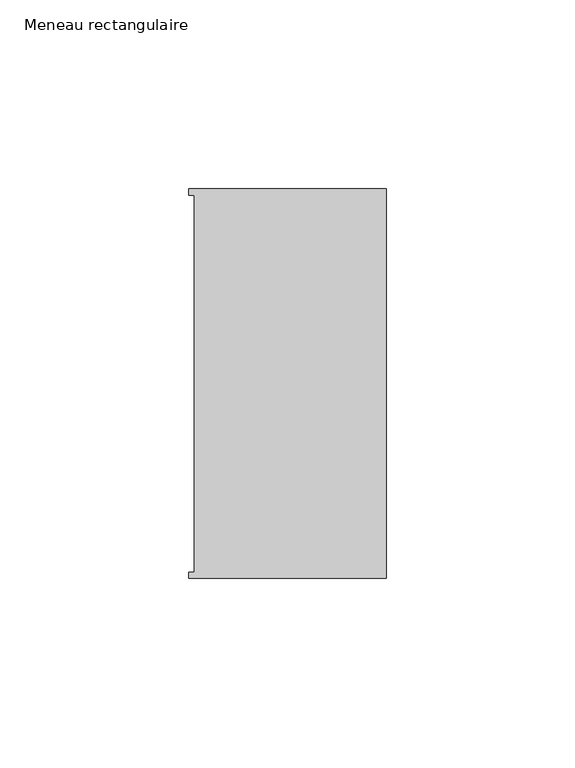
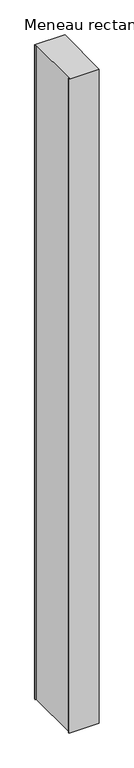
"""IFC4 building model written with IfcOpenShell, lengths in millimetres: member geometry, Meneau rectangulaire."""

import ifcopenshell
import ifcopenshell.guid

model = None  # the IFC model being written
_history = None  # IfcOwnerHistory: only IFC2X3 demands one
_inside = {}  # id of a spatial element -> (the spatial element, [elements in it])
_under = {}  # id of a project, library or spatial element -> (it, [spatial elements below it])
_declared = {}  # id of a project -> (the project, [libraries it declares])
_typed = {}  # id of a type object -> (the type object, [elements of that type])
_made_of = {}  # id of a material, layer set ... -> (it, [elements and type objects made of it])


def new_model(schema):
    """Start an empty IFC model of exactly this schema.

    Asked for "IFC4X3", IfcOpenShell would pick the latest addendum, in which some entities
    have other attributes; the version numbers below select the first issue.
    IFC2X3 requires an IfcOwnerHistory on every rooted entity: one is made here for all.
    """
    global model, _history
    if schema == "IFC4X3":
        model = ifcopenshell.file(schema_version=(4, 3, 0, 0))
    else:
        model = ifcopenshell.file(schema=schema)
    _inside.clear()
    _under.clear()
    _declared.clear()
    _typed.clear()
    _made_of.clear()
    _history = None
    if model.schema == "IFC2X3":
        org = make("IfcOrganization", Name="unknown")
        user = make(
            "IfcPersonAndOrganization",
            ThePerson=make("IfcPerson", FamilyName="unknown"),
            TheOrganization=org,
        )
        app = make(
            "IfcApplication",
            ApplicationDeveloper=org,
            Version="unknown",
            ApplicationFullName="unknown",
            ApplicationIdentifier="unknown",
        )
        _history = make(
            "IfcOwnerHistory",
            OwningUser=user,
            OwningApplication=app,
            ChangeAction="ADDED",
            CreationDate=0,
        )
    return model


def make(cls, **values):
    """One entity of the class cls with the attributes given. An attribute that is None is left unset."""
    return model.create_entity(
        cls, **{name: value for name, value in values.items() if value is not None}
    )


def rooted(cls, **values):
    """An entity with a GlobalId (a new one), such as an element, a storey or a relation."""
    return make(cls, GlobalId=ifcopenshell.guid.new(), OwnerHistory=_history, **values)


def si_unit(unit_type, name, prefix=None):
    """IfcSIUnit, for example si_unit("LENGTHUNIT", "METRE", prefix="MILLI")."""
    return make("IfcSIUnit", UnitType=unit_type, Prefix=prefix, Name=name)


def assignment(units):
    """IfcUnitAssignment: the units of a project."""
    return None if units is None else make("IfcUnitAssignment", Units=units)


def point(xyz):
    """IfcCartesianPoint."""
    return None if xyz is None else make("IfcCartesianPoint", Coordinates=xyz)


def direction(xyz):
    """IfcDirection."""
    return None if xyz is None else make("IfcDirection", DirectionRatios=xyz)


def frame(location, z_axis=None, x_axis=None):
    """IfcAxis2Placement3D, a coordinate frame: its origin and axes. An axis left out is left unset."""
    return make(
        "IfcAxis2Placement3D",
        Location=point(location),
        Axis=direction(z_axis),
        RefDirection=direction(x_axis),
    )


def origin():
    """The frame at (0, 0, 0) with its axes left unset."""
    return frame((0.0, 0.0, 0.0))


def place(relative_to, where):
    """IfcLocalPlacement: puts the frame where relative to a parent placement (None: the world)."""
    return make(
        "IfcLocalPlacement", PlacementRelTo=relative_to, RelativePlacement=where
    )


def context(
    kind, dimensions, precision=None, world=None, true_north=None, identifier=None
):
    """IfcGeometricRepresentationContext, for example the 3D "Model" context."""
    return make(
        "IfcGeometricRepresentationContext",
        ContextIdentifier=identifier,
        ContextType=kind,
        CoordinateSpaceDimension=dimensions,
        Precision=precision,
        WorldCoordinateSystem=world,
        TrueNorth=true_north,
    )


def project(units=None, contexts=None):
    """IfcProject with its units and contexts."""
    return rooted(
        "IfcProject",
        Name="project",
        RepresentationContexts=contexts,
        UnitsInContext=assignment(units),
    )


def spatial(cls, under=None, at=None, **own):
    """A site, building, storey or space (cls), placed at a placement, below another one or the project."""
    s = rooted(cls, ObjectPlacement=at, **own)
    if under is not None:
        _under.setdefault(under.id(), (under, []))[1].append(s)
    return s


def polyline(points):
    """IfcPolyline through the points."""
    return make("IfcPolyline", Points=[point(p) for p in points])


def outline(outer, holes=None, kind="AREA"):
    """IfcArbitraryClosedProfileDef: a profile drawn as a closed curve; with holes, ...WithVoids."""
    if holes is None:
        return make("IfcArbitraryClosedProfileDef", ProfileType=kind, OuterCurve=outer)
    return make(
        "IfcArbitraryProfileDefWithVoids",
        ProfileType=kind,
        OuterCurve=outer,
        InnerCurves=holes,
    )


def extrude(swept, where, along, depth):
    """IfcExtrudedAreaSolid: the profile swept, set in the frame where, extruded along a direction by depth."""
    return make(
        "IfcExtrudedAreaSolid",
        SweptArea=swept,
        Position=where,
        ExtrudedDirection=direction(along),
        Depth=depth,
    )


def shape(context_of_items, identifier, shape_type, items):
    """IfcShapeRepresentation: the items that make up one representation, for example the "Body"."""
    return make(
        "IfcShapeRepresentation",
        ContextOfItems=context_of_items,
        RepresentationIdentifier=identifier,
        RepresentationType=shape_type,
        Items=items,
    )


def source(mapping_origin, context_of_items, identifier, shape_type, items):
    """IfcRepresentationMap: a shape defined once, which mapped items show again and again."""
    return make(
        "IfcRepresentationMap",
        MappingOrigin=mapping_origin,
        MappedRepresentation=shape(context_of_items, identifier, shape_type, items),
    )


def transform(
    local_origin,
    x_axis=None,
    y_axis=None,
    z_axis=None,
    scale=None,
    scale2=None,
    scale3=None,
    uniform=True,
):
    """IfcCartesianTransformationOperator3D, or its non-uniform kind. x_axis, y_axis, z_axis: its Axis1, 2, 3."""
    if uniform:
        return make(
            "IfcCartesianTransformationOperator3D",
            Axis1=direction(x_axis),
            Axis2=direction(y_axis),
            LocalOrigin=point(local_origin),
            Scale=scale,
            Axis3=direction(z_axis),
        )
    return make(
        "IfcCartesianTransformationOperator3DnonUniform",
        Axis1=direction(x_axis),
        Axis2=direction(y_axis),
        LocalOrigin=point(local_origin),
        Scale=scale,
        Axis3=direction(z_axis),
        Scale2=scale2,
        Scale3=scale3,
    )


def mapped(mapping_source, mapping_target):
    """IfcMappedItem: shows the shape of a source again, moved by a transform."""
    return make(
        "IfcMappedItem", MappingSource=mapping_source, MappingTarget=mapping_target
    )


def made_of(thing, what):
    """Note that an element or type object is made of a material, layer set ...; save() writes the relation."""
    if what is not None:
        _made_of.setdefault(what.id(), (what, []))[1].append(thing)
    return thing


def element(
    cls,
    number,
    at=None,
    inside=None,
    cuts=None,
    type_object=None,
    material=None,
    context=None,
    identifier="Body",
    shape_type=None,
    held_by="IfcProductDefinitionShape",
    body=None,
    shapes=None,
    **own,
):
    """One element of the class cls, such as IfcWall. Its Tag is "e" and its number.

    at: its placement. inside: the storey or other place that contains it. cuts: it is an
    opening in that element (IfcRelVoidsElement). A single representation is given by context,
    identifier, shape_type and body (its items); several are given by shapes. held_by: the class
    of the entity that holds the representations. save() writes the other relations.
    """
    e = rooted(cls, Tag="e%d" % number, ObjectPlacement=at, **own)
    if body is not None:
        shapes = [shape(context, identifier, shape_type, body)]
    if shapes is not None:
        e.Representation = make(held_by, Representations=shapes)
    if inside is not None:
        _inside.setdefault(inside.id(), (inside, []))[1].append(e)
    if cuts is not None:
        rooted(
            "IfcRelVoidsElement", RelatingBuildingElement=cuts, RelatedOpeningElement=e
        )
    if type_object is not None:
        _typed.setdefault(type_object.id(), (type_object, []))[1].append(e)
    return made_of(e, material)


def aggregate(whole, parts):
    """IfcRelAggregates: a whole, such as a stair, and the parts it consists of."""
    return rooted("IfcRelAggregates", RelatingObject=whole, RelatedObjects=parts)


def save(model, path):
    """Write the relations noted so far, then the file.

    IfcRelAggregates (storeys below a building ...), IfcRelContainedInSpatialStructure (elements
    in a storey), IfcRelDefinesByType, IfcRelAssociatesMaterial and IfcRelDeclares: one each for
    every whole, place, type object, material and project.
    """
    for whole, parts in _under.values():
        aggregate(whole, parts)
    for where, things in _inside.values():
        rooted(
            "IfcRelContainedInSpatialStructure",
            RelatedElements=things,
            RelatingStructure=where,
        )
    for kind, things in _typed.values():
        rooted("IfcRelDefinesByType", RelatedObjects=things, RelatingType=kind)
    for what, things in _made_of.values():
        rooted("IfcRelAssociatesMaterial", RelatedObjects=things, RelatingMaterial=what)
    for by, libraries in _declared.values():
        rooted("IfcRelDeclares", RelatingContext=by, RelatedDefinitions=libraries)
    model.write(path)


def meneau_rectangulaire_711159f1(model_context):
    return source(origin(), model_context, "Body", "SweptSolid", [
        extrude(outline(polyline([(-52.3, 51.6531441), (0.0, 51.6531441), (0.0, -51.6130012), (-52.3, -51.6130012), (-52.3, -49.9174099), (-50.9, -49.9174099), (-50.9, 49.9174073), (-52.3, 49.9174073), (-52.3, 51.6531441)])), frame((0.0, 0.0, -1200.0000003), z_axis=(0.0, 0.0, 1.0), x_axis=(1.0, 0.0, 0.0)), (0.0, 0.0, 1.0), 1200.0000003),
    ])


if __name__ == "__main__":
    model = new_model("IFC4")
    model_context = context("Model", 3, world=origin())
    ifc_project = project(units=[si_unit("LENGTHUNIT", "METRE", prefix="MILLI")], contexts=[model_context])
    site = spatial("IfcSite", under=ifc_project)
    building = spatial("IfcBuilding", under=site)
    placement = place(None, origin())
    meneau_rectangulaire_shape = meneau_rectangulaire_711159f1(model_context)
    element("IfcMember", 1, ObjectType="Meneau rectangulaire", at=placement, inside=building, context=model_context, shape_type="MappedRepresentation", body=[
        mapped(meneau_rectangulaire_shape, transform((0.0, 0.0, 0.0), x_axis=(1.0, 0.0, 0.0), y_axis=(0.0, 1.0, 0.0), z_axis=(0.0, 0.0, 1.0))),
    ])
    save(model, "model.ifc")
